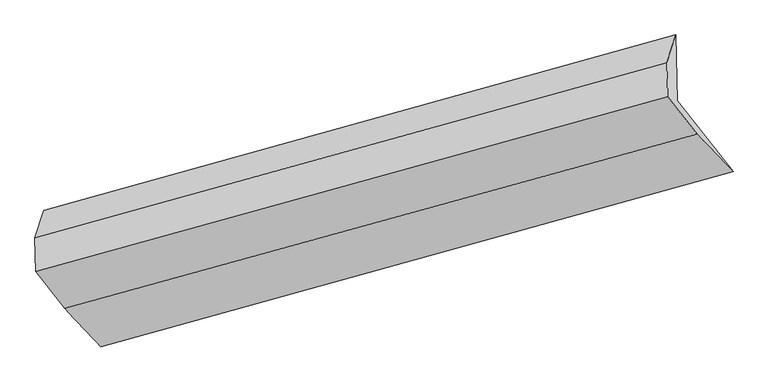
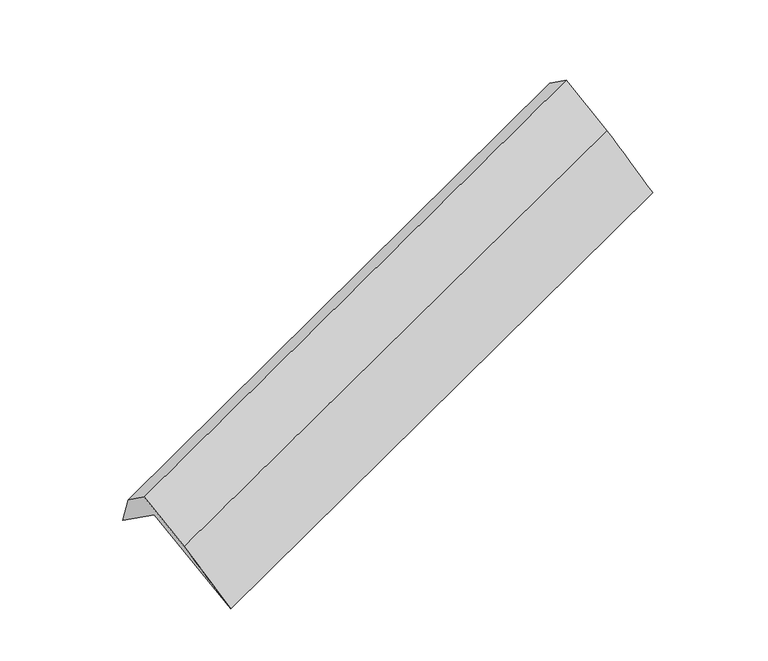
"""IFC4 building model written with IfcOpenShell, lengths in millimetres: proxy geometry."""

from ifc_helpers import new_model, si_unit, frame, origin, place, context, project, spatial, source, transform, mapped, element, save
from ifc_brep_helpers import plane_surface, spline_surface, advanced_brep


def generic_models_fcd553d8(model_context):
    return source(origin(), model_context, "Body", "AdvancedBrep", [
        advanced_brep(
        [(-6039.3329299, -2373.5630391, 1067.0095797), (-6055.8118587, -1729.5770699, 610.4540559), (128.6068596, -8.6941218, 2831.8873721), (145.0857884, -652.680091, 3288.4428959), (-6143.4895363, -2000.0654433, 1071.1363712), (40.9291821, -279.1824952, 3292.5696874), (-6135.1609656, -2325.5406441, 1301.8828594), (49.4664584, -612.8137804, 3529.0984528), (-5850.6645562, -2689.7706449, 777.856331), (338.0345648, -982.256621, 2997.5720854), (-5499.1922921, -3065.0846839, 72.1006318), (689.2981233, -1349.4145757, 2286.0341091)],
        [
            (0, 1),
            (1, 2),
            (2, 3),
            (3, 0),
            (1, 4),
            (4, 5),
            (5, 2),
            (4, 6),
            (6, 7),
            (7, 5),
            (6, 8),
            (8, 9),
            (9, 7),
            (8, 10),
            (10, 11),
            (11, 9),
            (10, 0),
            (3, 11),
        ],
        [
            plane_surface(frame((-6047.5723943, -2051.5700545, 838.7318178), z_axis=(0.41320977310471885, -0.519609178834051, -0.7478395447434897), x_axis=(-0.020870568651239776, 0.8156084383892868, -0.5782277186302667))),
            plane_surface(frame((-6099.6506975, -1864.8212566, 840.7952136), z_axis=(-0.37897587878665484, 0.8277067021301208, 0.4138585489593788), x_axis=(-0.16195572089312846, -0.49963845673356355, 0.8509593157271915))),
            plane_surface(frame((-6139.3252509, -2162.8030437, 1186.5096153), z_axis=(-0.4132097731047189, 0.5196091788340512, 0.7478395447434897), x_axis=(0.020870568651239832, -0.8156084383892868, 0.5782277186302669))),
            plane_surface(frame((-5992.9127609, -2507.6556445, 1039.8695952), z_axis=(0.01818198403190896, -0.8163441890821456, 0.5772794647382478), x_axis=(0.40716970222535315, -0.5212839813745462, -0.7499838960617882))),
            spline_surface(1, 1, [[(-5850.6645562, -2689.7706449, 777.856331), (338.0345648, -982.256621, 2997.5720854)], [(-5499.1922921, -3065.0846839, 72.1006318), (689.2981233, -1349.4145757, 2286.0341091)]], [2, 2], [2, 2], [0.0, 1.0], [0.0, 1.0]),
            plane_surface(frame((-5769.262611, -2719.3238615, 569.5551057), z_axis=(-0.019526294587347337, 0.8159771987469495, -0.5777542167260834), x_axis=(-0.40716970222535487, 0.5212839813745465, 0.7499838960617872))),
            plane_surface(frame((231.9034961, -647.5069475, 3037.6007671), z_axis=(0.9131140415927734, 0.25108939840322664, 0.32121155187137435), x_axis=(0.40174528395596576, -0.41992393798529837, -0.8137964199516117))),
            plane_surface(frame((-5953.9420231, -2363.9335875, 816.7399715), z_axis=(-0.9131140415927719, -0.25108939840325356, -0.3212115518713583), x_axis=(0.4071697022253574, -0.5212839813745518, -0.7499838960617821))),
        ],
        [
            (0, [[1, 2, 3, 4]]),
            (1, [[5, 6, 7, -2]]),
            (2, [[8, 9, 10, -6]]),
            (3, [[11, 12, 13, -9]]),
            (4, [[14, 15, 16, -12]]),
            (5, [[17, -4, 18, -15]]),
            (6, [[-16, -18, -3, -7, -10, -13]]),
            (7, [[-17, -14, -11, -8, -5, -1]]),
        ],
    ),
    ])


if __name__ == "__main__":
    model = new_model("IFC4")
    model_context = context("Model", 3, world=origin())
    ifc_project = project(units=[si_unit("LENGTHUNIT", "METRE", prefix="MILLI")], contexts=[model_context])
    site = spatial("IfcSite", under=ifc_project)
    building = spatial("IfcBuilding", under=site)
    placement = place(None, origin())
    generic_models_shape = generic_models_fcd553d8(model_context)
    element("IfcBuildingElementProxy", 1, Name="Generic Models", at=placement, inside=building, context=model_context, shape_type="MappedRepresentation", body=[
        mapped(generic_models_shape, transform((0.0, 0.0, 0.0), x_axis=(1.0, 0.0, 0.0), y_axis=(0.0, 1.0, 0.0), z_axis=(0.0, 0.0, 1.0))),
    ])
    save(model, "model.ifc")
